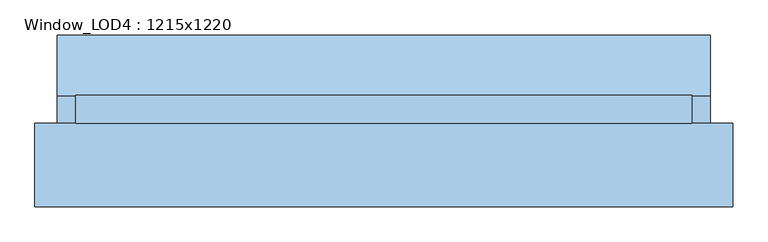
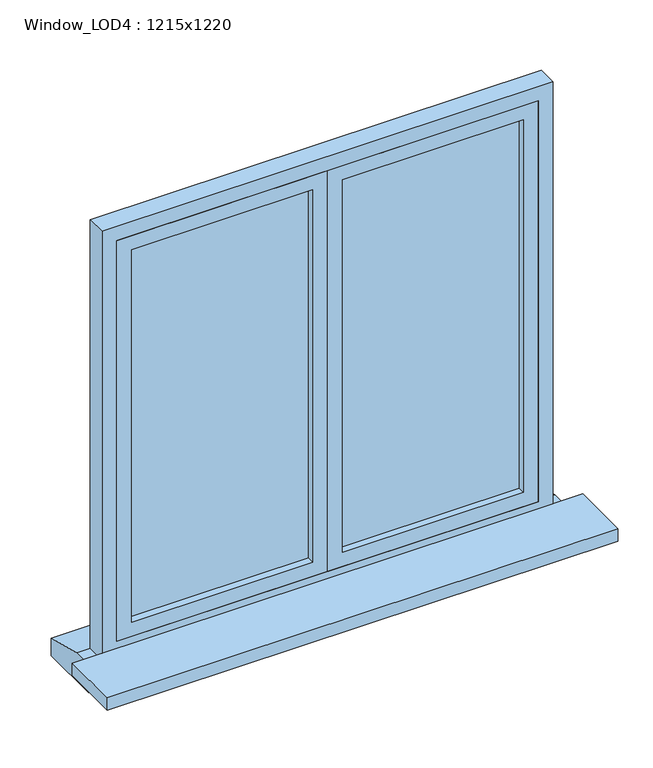
"""IFC4 building model written with IfcOpenShell, lengths in millimetres: window geometry, Window_LOD4 : 1215x1220."""

from ifc_helpers import new_model, si_unit, frame, origin, place, context, project, spatial, polyline, outline, extrude, source, transform, mapped, element, save


def window_lod4_1215x1220_4d336446(model_context):
    return source(origin(), model_context, "Body", "SweptSolid", [
        extrude(outline(polyline([(527.5000243, 27.5), (40.0, 27.5), (40.0, 42.5), (527.5000243, 42.5), (527.5000243, 27.5)])), frame((0.0, 0.0, 880.0), z_axis=(0.0, 0.0, 1.0), x_axis=(1.0, 0.0, 0.0)), (0.0, 0.0, 1.0), 1060.0000489),
        extrude(outline(polyline([(1980.0000489, 0.0), (840.0, 0.0), (840.0, 567.5000243), (1980.0000489, 567.5000243), (1980.0000489, 0.0)]), holes=[polyline([(1940.0000489, 40.0), (1940.0000489, 527.5000243), (880.0, 527.5000243), (880.0, 40.0), (1940.0000489, 40.0)])]), frame((0.0, 7.5, 0.0), z_axis=(0.0, 1.0, 0.0), x_axis=(0.0, 0.0, 1.0)), (0.0, 0.0, 1.0), 55.0),
        extrude(outline(polyline([(-40.0, 27.5), (-527.5000243, 27.5), (-527.5000243, 42.5), (-40.0, 42.5), (-40.0, 27.5)])), frame((0.0, 0.0, 880.0), z_axis=(0.0, 0.0, 1.0), x_axis=(1.0, 0.0, 0.0)), (0.0, 0.0, 1.0), 1060.0000489),
        extrude(outline(polyline([(1980.0000489, -567.5000243), (840.0, -567.5000243), (840.0, 0.0), (1980.0000489, 0.0), (1980.0000489, -567.5000243)]), holes=[polyline([(1940.0000489, -527.5000243), (1940.0000489, -40.0), (880.0, -40.0), (880.0, -527.5000243), (1940.0000489, -527.5000243)])]), frame((0.0, 7.5, 0.0), z_axis=(0.0, 1.0, 0.0), x_axis=(0.0, 0.0, 1.0)), (0.0, 0.0, 1.0), 55.0),
        extrude(outline(polyline([(62.5, 800.0), (181.6605568, 770.0), (181.6605568, 720.0), (7.5, 720.0), (7.5, 800.0), (62.5, 800.0)])), frame((-643.3669322, 0.0, 0.0), z_axis=(1.0, 0.0, 0.0), x_axis=(0.0, 1.0, 0.0)), (0.0, 0.0, 1.0), 1286.7338644),
        extrude(outline(polyline([(2020.0000489, -607.5000243), (800.0, -607.5000243), (800.0, 607.5000243), (2020.0000489, 607.5000243), (2020.0000489, -607.5000243)]), holes=[polyline([(1980.0000489, -567.5000243), (1980.0000489, 567.5000243), (840.0, 567.5000243), (840.0, -567.5000243), (1980.0000489, -567.5000243)])]), frame((0.0, 7.5, 0.0), z_axis=(0.0, 1.0, 0.0), x_axis=(0.0, 0.0, 1.0)), (0.0, 0.0, 1.0), 55.0),
        extrude(outline(polyline([(687.5000243, 7.5), (687.5000243, -156.3411723), (-687.5000243, -156.3411723), (-687.5000243, 7.5), (687.5000243, 7.5)])), frame((0.0, 0.0, 785.0), z_axis=(0.0, 0.0, 1.0), x_axis=(1.0, 0.0, 0.0)), (0.0, 0.0, 1.0), 35.0),
    ])


if __name__ == "__main__":
    model = new_model("IFC4")
    model_context = context("Model", 3, world=origin())
    ifc_project = project(units=[si_unit("LENGTHUNIT", "METRE", prefix="MILLI")], contexts=[model_context])
    site = spatial("IfcSite", under=ifc_project)
    building = spatial("IfcBuilding", under=site)
    placement = place(None, origin())
    window_lod4_1215x1220_shape = window_lod4_1215x1220_4d336446(model_context)
    element("IfcWindow", 1, ObjectType="Window_LOD4 : 1215x1220", at=placement, inside=building, context=model_context, shape_type="MappedRepresentation", body=[
        mapped(window_lod4_1215x1220_shape, transform((0.0, 0.0, 0.0), x_axis=(1.0, 0.0, 0.0), y_axis=(0.0, 1.0, 0.0), z_axis=(0.0, 0.0, 1.0))),
    ])
    save(model, "model.ifc")
